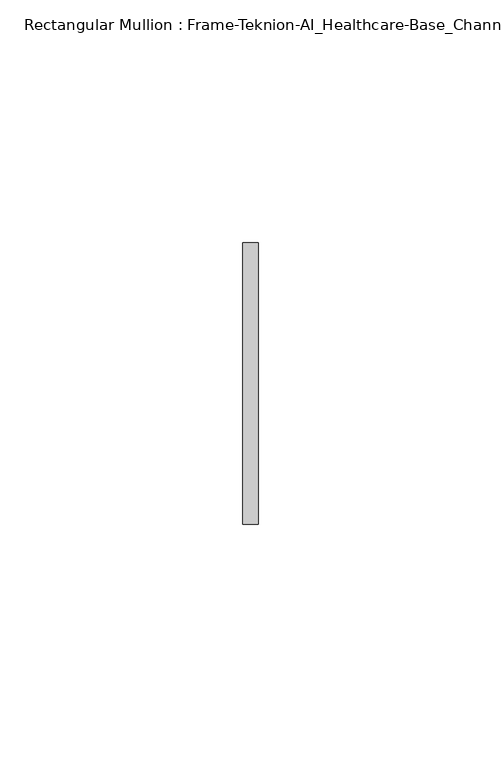
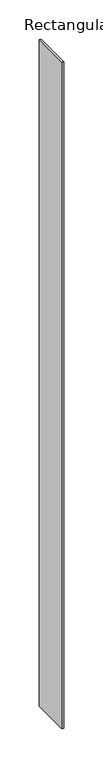
"""IFC4 building model written with IfcOpenShell, lengths in millimetres: member geometry, Rectangular Mullion : Frame-Teknion-AI_Healthcare-Base_Channel."""

from ifc_helpers import new_model, si_unit, frame, origin, place, context, project, spatial, polyline, outline, extrude, source, transform, mapped, element, save


def rectangular_mullion_frame_teknion_ai_healthcare_base_channel_983919af(model_context):
    return source(origin(), model_context, "Body", "SweptSolid", [
        extrude(outline(polyline([(0.0, 29.0214844), (0.0, -29.0214844), (-3.175, -29.0214844), (-3.175, 29.0214844), (0.0, 29.0214844)])), frame((0.0, 0.0, -1041.4), z_axis=(0.0, 0.0, 1.0), x_axis=(1.0, 0.0, 0.0)), (0.0, 0.0, 1.0), 1041.4),
    ])


if __name__ == "__main__":
    model = new_model("IFC4")
    model_context = context("Model", 3, world=origin())
    ifc_project = project(units=[si_unit("LENGTHUNIT", "METRE", prefix="MILLI")], contexts=[model_context])
    site = spatial("IfcSite", under=ifc_project)
    building = spatial("IfcBuilding", under=site)
    placement = place(None, origin())
    rectangular_mullion_frame_teknion_ai_healthcare_base_channel_shape = rectangular_mullion_frame_teknion_ai_healthcare_base_channel_983919af(model_context)
    element("IfcMember", 1, ObjectType="Rectangular Mullion : Frame-Teknion-AI_Healthcare-Base_Channel", at=placement, inside=building, context=model_context, shape_type="MappedRepresentation", body=[
        mapped(rectangular_mullion_frame_teknion_ai_healthcare_base_channel_shape, transform((0.0, 0.0, 0.0), x_axis=(1.0, 0.0, 0.0), y_axis=(0.0, 1.0, 0.0), z_axis=(0.0, 0.0, 1.0))),
    ])
    save(model, "model.ifc")
